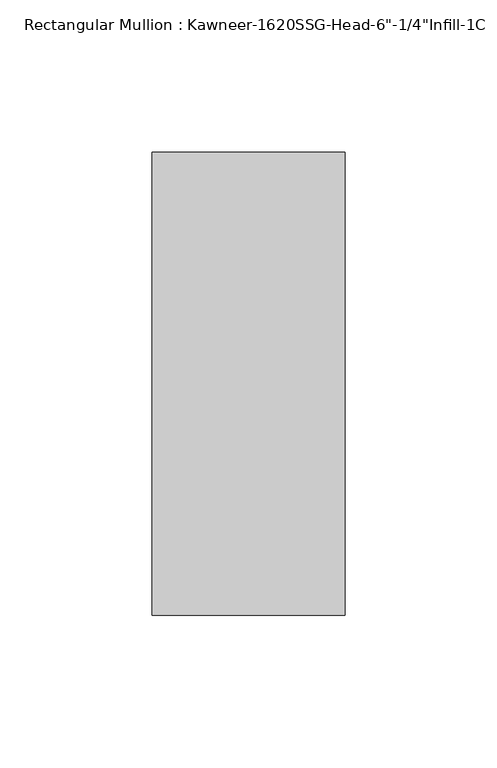
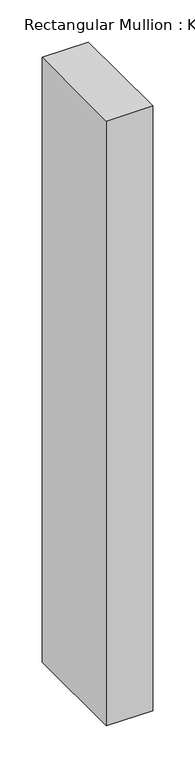
"""IFC4 building model written with IfcOpenShell, lengths in millimetres: member geometry."""

import ifcopenshell
import ifcopenshell.guid

model = None  # the IFC model being written
_history = None  # IfcOwnerHistory: only IFC2X3 demands one
_inside = {}  # id of a spatial element -> (the spatial element, [elements in it])
_under = {}  # id of a project, library or spatial element -> (it, [spatial elements below it])
_declared = {}  # id of a project -> (the project, [libraries it declares])
_typed = {}  # id of a type object -> (the type object, [elements of that type])
_made_of = {}  # id of a material, layer set ... -> (it, [elements and type objects made of it])


def new_model(schema):
    """Start an empty IFC model of exactly this schema.

    Asked for "IFC4X3", IfcOpenShell would pick the latest addendum, in which some entities
    have other attributes; the version numbers below select the first issue.
    IFC2X3 requires an IfcOwnerHistory on every rooted entity: one is made here for all.
    """
    global model, _history
    if schema == "IFC4X3":
        model = ifcopenshell.file(schema_version=(4, 3, 0, 0))
    else:
        model = ifcopenshell.file(schema=schema)
    _inside.clear()
    _under.clear()
    _declared.clear()
    _typed.clear()
    _made_of.clear()
    _history = None
    if model.schema == "IFC2X3":
        org = make("IfcOrganization", Name="unknown")
        user = make(
            "IfcPersonAndOrganization",
            ThePerson=make("IfcPerson", FamilyName="unknown"),
            TheOrganization=org,
        )
        app = make(
            "IfcApplication",
            ApplicationDeveloper=org,
            Version="unknown",
            ApplicationFullName="unknown",
            ApplicationIdentifier="unknown",
        )
        _history = make(
            "IfcOwnerHistory",
            OwningUser=user,
            OwningApplication=app,
            ChangeAction="ADDED",
            CreationDate=0,
        )
    return model


def make(cls, **values):
    """One entity of the class cls with the attributes given. An attribute that is None is left unset."""
    return model.create_entity(
        cls, **{name: value for name, value in values.items() if value is not None}
    )


def rooted(cls, **values):
    """An entity with a GlobalId (a new one), such as an element, a storey or a relation."""
    return make(cls, GlobalId=ifcopenshell.guid.new(), OwnerHistory=_history, **values)


def si_unit(unit_type, name, prefix=None):
    """IfcSIUnit, for example si_unit("LENGTHUNIT", "METRE", prefix="MILLI")."""
    return make("IfcSIUnit", UnitType=unit_type, Prefix=prefix, Name=name)


def assignment(units):
    """IfcUnitAssignment: the units of a project."""
    return None if units is None else make("IfcUnitAssignment", Units=units)


def point(xyz):
    """IfcCartesianPoint."""
    return None if xyz is None else make("IfcCartesianPoint", Coordinates=xyz)


def direction(xyz):
    """IfcDirection."""
    return None if xyz is None else make("IfcDirection", DirectionRatios=xyz)


def frame(location, z_axis=None, x_axis=None):
    """IfcAxis2Placement3D, a coordinate frame: its origin and axes. An axis left out is left unset."""
    return make(
        "IfcAxis2Placement3D",
        Location=point(location),
        Axis=direction(z_axis),
        RefDirection=direction(x_axis),
    )


def origin():
    """The frame at (0, 0, 0) with its axes left unset."""
    return frame((0.0, 0.0, 0.0))


def place(relative_to, where):
    """IfcLocalPlacement: puts the frame where relative to a parent placement (None: the world)."""
    return make(
        "IfcLocalPlacement", PlacementRelTo=relative_to, RelativePlacement=where
    )


def context(
    kind, dimensions, precision=None, world=None, true_north=None, identifier=None
):
    """IfcGeometricRepresentationContext, for example the 3D "Model" context."""
    return make(
        "IfcGeometricRepresentationContext",
        ContextIdentifier=identifier,
        ContextType=kind,
        CoordinateSpaceDimension=dimensions,
        Precision=precision,
        WorldCoordinateSystem=world,
        TrueNorth=true_north,
    )


def project(units=None, contexts=None):
    """IfcProject with its units and contexts."""
    return rooted(
        "IfcProject",
        Name="project",
        RepresentationContexts=contexts,
        UnitsInContext=assignment(units),
    )


def spatial(cls, under=None, at=None, **own):
    """A site, building, storey or space (cls), placed at a placement, below another one or the project."""
    s = rooted(cls, ObjectPlacement=at, **own)
    if under is not None:
        _under.setdefault(under.id(), (under, []))[1].append(s)
    return s


def polyline(points):
    """IfcPolyline through the points."""
    return make("IfcPolyline", Points=[point(p) for p in points])


def outline(outer, holes=None, kind="AREA"):
    """IfcArbitraryClosedProfileDef: a profile drawn as a closed curve; with holes, ...WithVoids."""
    if holes is None:
        return make("IfcArbitraryClosedProfileDef", ProfileType=kind, OuterCurve=outer)
    return make(
        "IfcArbitraryProfileDefWithVoids",
        ProfileType=kind,
        OuterCurve=outer,
        InnerCurves=holes,
    )


def extrude(swept, where, along, depth):
    """IfcExtrudedAreaSolid: the profile swept, set in the frame where, extruded along a direction by depth."""
    return make(
        "IfcExtrudedAreaSolid",
        SweptArea=swept,
        Position=where,
        ExtrudedDirection=direction(along),
        Depth=depth,
    )


def shape(context_of_items, identifier, shape_type, items):
    """IfcShapeRepresentation: the items that make up one representation, for example the "Body"."""
    return make(
        "IfcShapeRepresentation",
        ContextOfItems=context_of_items,
        RepresentationIdentifier=identifier,
        RepresentationType=shape_type,
        Items=items,
    )


def source(mapping_origin, context_of_items, identifier, shape_type, items):
    """IfcRepresentationMap: a shape defined once, which mapped items show again and again."""
    return make(
        "IfcRepresentationMap",
        MappingOrigin=mapping_origin,
        MappedRepresentation=shape(context_of_items, identifier, shape_type, items),
    )


def transform(
    local_origin,
    x_axis=None,
    y_axis=None,
    z_axis=None,
    scale=None,
    scale2=None,
    scale3=None,
    uniform=True,
):
    """IfcCartesianTransformationOperator3D, or its non-uniform kind. x_axis, y_axis, z_axis: its Axis1, 2, 3."""
    if uniform:
        return make(
            "IfcCartesianTransformationOperator3D",
            Axis1=direction(x_axis),
            Axis2=direction(y_axis),
            LocalOrigin=point(local_origin),
            Scale=scale,
            Axis3=direction(z_axis),
        )
    return make(
        "IfcCartesianTransformationOperator3DnonUniform",
        Axis1=direction(x_axis),
        Axis2=direction(y_axis),
        LocalOrigin=point(local_origin),
        Scale=scale,
        Axis3=direction(z_axis),
        Scale2=scale2,
        Scale3=scale3,
    )


def mapped(mapping_source, mapping_target):
    """IfcMappedItem: shows the shape of a source again, moved by a transform."""
    return make(
        "IfcMappedItem", MappingSource=mapping_source, MappingTarget=mapping_target
    )


def made_of(thing, what):
    """Note that an element or type object is made of a material, layer set ...; save() writes the relation."""
    if what is not None:
        _made_of.setdefault(what.id(), (what, []))[1].append(thing)
    return thing


def element(
    cls,
    number,
    at=None,
    inside=None,
    cuts=None,
    type_object=None,
    material=None,
    context=None,
    identifier="Body",
    shape_type=None,
    held_by="IfcProductDefinitionShape",
    body=None,
    shapes=None,
    **own,
):
    """One element of the class cls, such as IfcWall. Its Tag is "e" and its number.

    at: its placement. inside: the storey or other place that contains it. cuts: it is an
    opening in that element (IfcRelVoidsElement). A single representation is given by context,
    identifier, shape_type and body (its items); several are given by shapes. held_by: the class
    of the entity that holds the representations. save() writes the other relations.
    """
    e = rooted(cls, Tag="e%d" % number, ObjectPlacement=at, **own)
    if body is not None:
        shapes = [shape(context, identifier, shape_type, body)]
    if shapes is not None:
        e.Representation = make(held_by, Representations=shapes)
    if inside is not None:
        _inside.setdefault(inside.id(), (inside, []))[1].append(e)
    if cuts is not None:
        rooted(
            "IfcRelVoidsElement", RelatingBuildingElement=cuts, RelatedOpeningElement=e
        )
    if type_object is not None:
        _typed.setdefault(type_object.id(), (type_object, []))[1].append(e)
    return made_of(e, material)


def aggregate(whole, parts):
    """IfcRelAggregates: a whole, such as a stair, and the parts it consists of."""
    return rooted("IfcRelAggregates", RelatingObject=whole, RelatedObjects=parts)


def save(model, path):
    """Write the relations noted so far, then the file.

    IfcRelAggregates (storeys below a building ...), IfcRelContainedInSpatialStructure (elements
    in a storey), IfcRelDefinesByType, IfcRelAssociatesMaterial and IfcRelDeclares: one each for
    every whole, place, type object, material and project.
    """
    for whole, parts in _under.values():
        aggregate(whole, parts)
    for where, things in _inside.values():
        rooted(
            "IfcRelContainedInSpatialStructure",
            RelatedElements=things,
            RelatingStructure=where,
        )
    for kind, things in _typed.values():
        rooted("IfcRelDefinesByType", RelatedObjects=things, RelatingType=kind)
    for what, things in _made_of.values():
        rooted("IfcRelAssociatesMaterial", RelatedObjects=things, RelatingMaterial=what)
    for by, libraries in _declared.values():
        rooted("IfcRelDeclares", RelatingContext=by, RelatedDefinitions=libraries)
    model.write(path)


def member_bad59361(model_context):
    return source(origin(), model_context, "Body", "SweptSolid", [
        extrude(outline(polyline([(-63.5, 28.575), (0.0, 28.575), (0.0, -123.825), (-63.5, -123.825), (-63.5, 28.575)])), frame((0.0, 0.0, -876.1760494), z_axis=(0.0, 0.0, 1.0), x_axis=(1.0, 0.0, 0.0)), (0.0, 0.0, 1.0), 876.1760494),
    ])


if __name__ == "__main__":
    model = new_model("IFC4")
    model_context = context("Model", 3, world=origin())
    ifc_project = project(units=[si_unit("LENGTHUNIT", "METRE", prefix="MILLI")], contexts=[model_context])
    site = spatial("IfcSite", under=ifc_project)
    building = spatial("IfcBuilding", under=site)
    placement = place(None, origin())
    member_shape = member_bad59361(model_context)
    element("IfcMember", 1, ObjectType="Rectangular Mullion : Kawneer-1620SSG-Head-6\"-1/4\"Infill-1C", at=placement, inside=building, context=model_context, shape_type="MappedRepresentation", body=[
        mapped(member_shape, transform((0.0, 0.0, 0.0), x_axis=(1.0, 0.0, 0.0), y_axis=(0.0, 1.0, 0.0), z_axis=(0.0, 0.0, 1.0))),
    ])
    save(model, "model.ifc")
